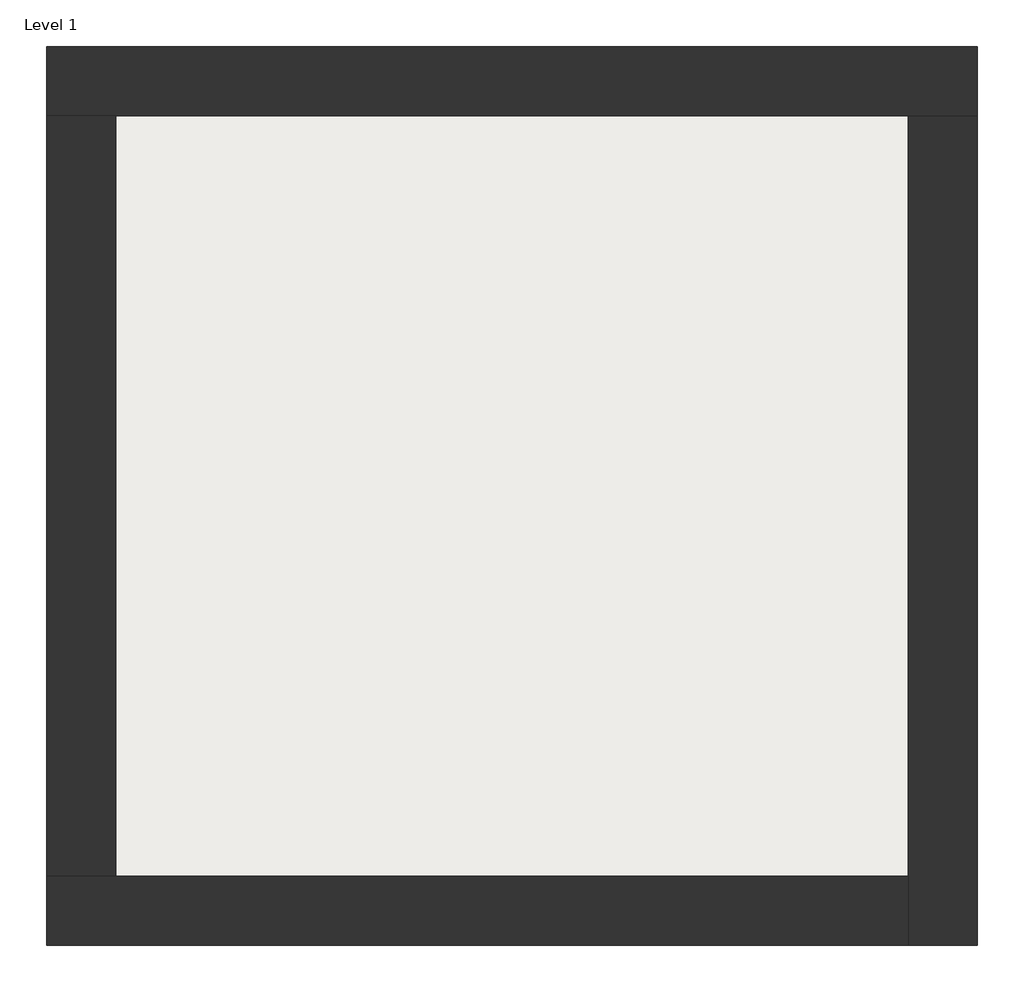
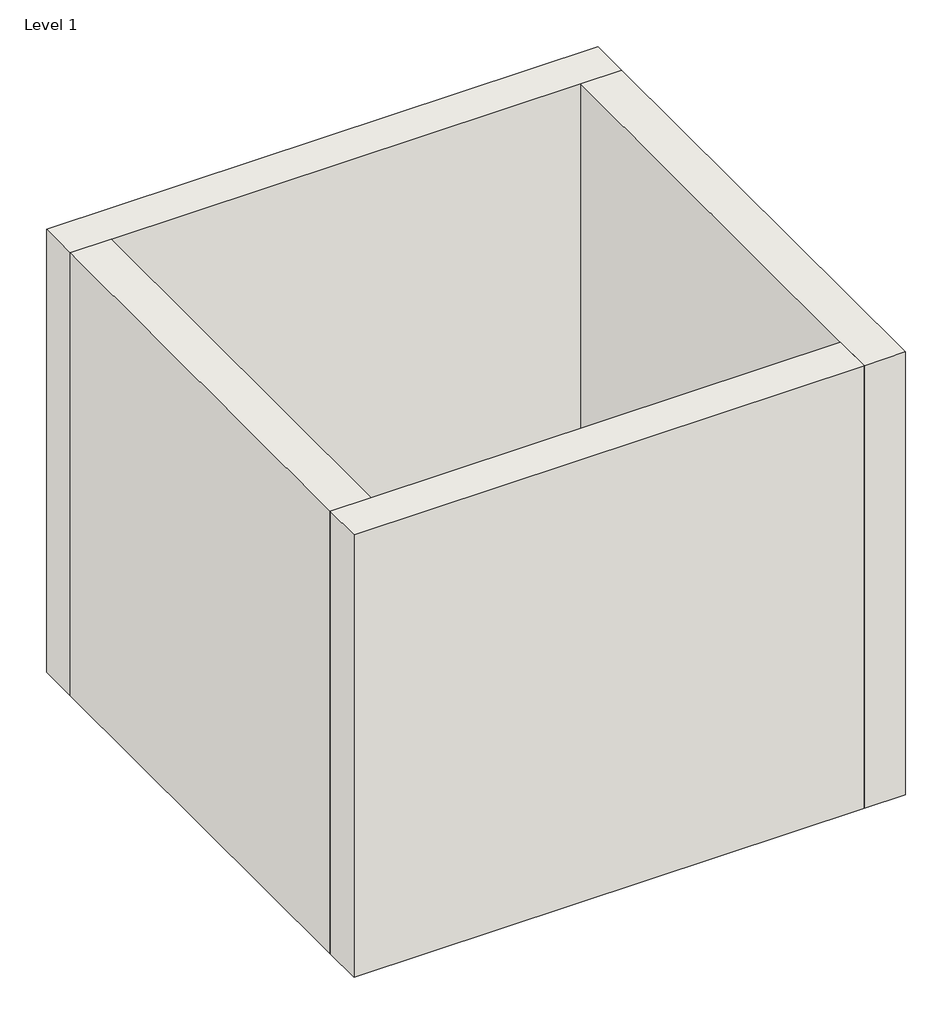
# One storey: 4 walls, 1 slab.
"""IFC4 building model written with IfcOpenShell, lengths in millimetres."""

from ifc_helpers import new_model, si_unit, frame, origin, origin_with_axes, place, context, project, spatial, polyline, outline, extrude, faceted_brep, element, save

model = new_model("IFC4")

# Units and contexts
model_context = context("Model", 3, world=origin())
ifc_project = project(units=[si_unit("LENGTHUNIT", "METRE", prefix="MILLI")], contexts=[model_context])

# Site, building, storey
site = spatial("IfcSite", under=ifc_project)
building = spatial("IfcBuilding", under=site)
storey = spatial("IfcBuildingStorey", under=building, Name="Level 1", Elevation=0.0)

# Slab
placement = place(None, origin())
element("IfcSlab", 1, at=placement, inside=storey, context=model_context, shape_type="SweptSolid", body=[
    extrude(outline(polyline([(-10869.3573003, 6934.2750283), (-10869.3573003, 3058.2750283), (-14907.8573003, 3058.2750283), (-14907.8573003, 6934.2750283), (-10869.3573003, 6934.2750283)])), frame((0.0, 0.0, -2.2), z_axis=(0.0, 0.0, 1.0), x_axis=(1.0, 0.0, 0.0)), (0.0, 0.0, 1.0), 102.2),
])

# Walls
element("IfcWall", 2, ObjectType="Exterior - Brick on Mtl. Stud", at=placement, inside=storey, context=model_context, shape_type="Brep", body=[
    faceted_brep([(-15244.8573003, 6921.2750283, 0.0), (-14894.8573003, 6921.2750283, 0.0), (-10882.3573003, 6921.2750283, 0.0), (-10532.3573003, 6921.2750283, 0.0), (-10532.3573003, 6921.2750283, 4000.0), (-10882.3573003, 6921.2750283, 4000.0), (-14894.8573003, 6921.2750283, 4000.0), (-15244.8573003, 6921.2750283, 4000.0), (-15244.8573003, 7271.2750283, 0.0), (-15244.8573003, 7271.2750283, 4000.0), (-10532.3573003, 7271.2750283, 4000.0), (-10532.3573003, 7271.2750283, 0.0)], [[[0, 1, 2, 3, 4, 5, 6, 7]], [[8, 9, 10, 11]], [[3, 2, 1, 0, 8, 11]], [[7, 6, 5, 4, 10, 9]], [[0, 7, 9, 8]], [[4, 3, 11, 10]]]),
])
element("IfcWall", 3, ObjectType="Exterior - Brick on Mtl. Stud", at=placement, inside=storey, context=model_context, shape_type="Brep", body=[
    faceted_brep([(-10882.3573003, 6921.2750283, 0.0), (-10882.3573003, 3071.2750283, 0.0), (-10882.3573003, 2721.2750283, 0.0), (-10882.3573003, 2721.2750283, 4000.0), (-10882.3573003, 3071.2750283, 4000.0), (-10882.3573003, 6921.2750283, 4000.0), (-10532.3573003, 6921.2750283, 0.0), (-10532.3573003, 6921.2750283, 4000.0), (-10532.3573003, 2721.2750283, 4000.0), (-10532.3573003, 2721.2750283, 0.0)], [[[0, 1, 2, 3, 4, 5]], [[6, 7, 8, 9]], [[2, 1, 0, 6, 9]], [[5, 4, 3, 8, 7]], [[3, 2, 9, 8]], [[0, 5, 7, 6]]]),
])
element("IfcWall", 4, ObjectType="Exterior - Brick on Mtl. Stud", at=placement, inside=storey, context=model_context, shape_type="Brep", body=[
    faceted_brep([(-10882.3573003, 3071.2750283, 0.0), (-14894.8573003, 3071.2750283, 0.0), (-15244.8573003, 3071.2750283, 0.0), (-15244.8573003, 3071.2750283, 4000.0), (-14894.8573003, 3071.2750283, 4000.0), (-10882.3573003, 3071.2750283, 4000.0), (-10882.3573003, 2721.2750283, 0.0), (-10882.3573003, 2721.2750283, 4000.0), (-15244.8573003, 2721.2750283, 4000.0), (-15244.8573003, 2721.2750283, 0.0)], [[[0, 1, 2, 3, 4, 5]], [[6, 7, 8, 9]], [[2, 1, 0, 6, 9]], [[5, 4, 3, 8, 7]], [[3, 2, 9, 8]], [[0, 5, 7, 6]]]),
])
element("IfcWall", 5, ObjectType="Exterior - Brick on Mtl. Stud", at=placement, inside=storey, context=model_context, shape_type="SweptSolid", body=[
    extrude(outline(polyline([(-14894.8573003, 6921.2750283), (-14894.8573003, 3071.2750283), (-15244.8573003, 3071.2750283), (-15244.8573003, 6921.2750283), (-14894.8573003, 6921.2750283)])), origin_with_axes(), (0.0, 0.0, 1.0), 4000.0),
])

save(model, "model.ifc")
